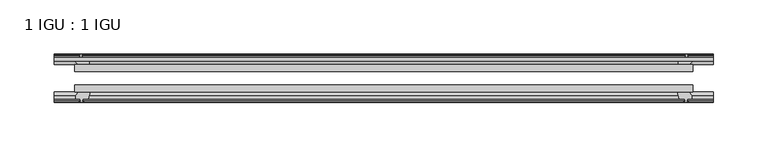
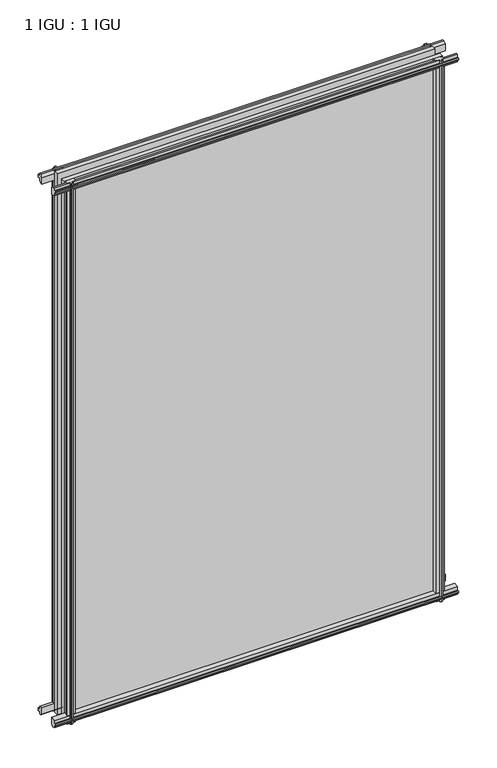
"""IFC4 building model written with IfcOpenShell, lengths in millimetres: plate geometry, 1 IGU : 1 IGU."""

from ifc_helpers import new_model, si_unit, frame, origin, place, context, project, spatial, polyline, outline, extrude, source, transform, mapped, element, save


def plate_1_igu_1_igu_0da3372f(model_context):
    return source(origin(), model_context, "Body", "SweptSolid", [
        extrude(outline(polyline([(-285.7500002, -38.6468937), (285.7500002, -38.6468937), (285.7500002, -44.9460938), (-285.7500002, -44.9460938), (-285.7500002, -38.6468937)])), frame((0.0, 0.0, -12.7), z_axis=(0.0, 0.0, 1.0), x_axis=(1.0, 0.0, 0.0)), (0.0, 0.0, 1.0), 863.6126996),
        extrude(outline(polyline([(-285.7500002, -19.5460937), (285.7500002, -19.5460937), (285.7500002, -25.8960938), (-285.7500002, -25.8960938), (-285.7500002, -19.5460937)])), frame((0.0, 0.0, -12.7), z_axis=(0.0, 0.0, 1.0), x_axis=(1.0, 0.0, 0.0)), (0.0, 0.0, 1.0), 863.6126996),
        extrude(outline(polyline([(-44.9460937, 1.7177181), (-44.9460937, -9.1036578), (-48.3496937, -11.938), (-51.2960937, -11.938), (-51.2960937, -7.493), (-53.6762907, -7.112), (-53.2163575, -8.5275291), (-54.0175717, -8.5275291), (-54.7250937, -6.35), (-54.0175717, -4.1724709), (-53.2163575, -4.1724709), (-53.6762907, -5.588), (-51.2960937, -5.207), (-51.2960937, 0.0), (-44.9460937, 1.7177181)])), frame((-304.8000002, 0.0, 0.0), z_axis=(1.0, 0.0, 0.0), x_axis=(0.0, 1.0, 0.0)), (0.0, 0.0, 1.0), 609.6000003),
        extrude(outline(polyline([(-13.1960937, -12.4587), (-16.1424937, -12.4587), (-19.5460937, -9.6243578), (-19.5460937, 1.1970181), (-13.1960937, -0.5207), (-13.1960937, -5.7277), (-10.8158968, -6.1087), (-11.27583, -4.6931709), (-10.4746158, -4.6931709), (-9.7670937, -6.8707), (-10.4746158, -9.0482291), (-11.27583, -9.0482291), (-10.8158968, -7.6327), (-13.1960937, -8.0137), (-13.1960937, -12.4587)])), frame((-304.8000002, 0.0, 0.0), z_axis=(1.0, 0.0, 0.0), x_axis=(0.0, 1.0, 0.0)), (0.0, 0.0, 1.0), 609.6000003),
        extrude(outline(polyline([(-51.2960937, 850.1506996), (-48.3496937, 850.1506996), (-44.9460937, 847.3163575), (-44.9460937, 836.4949816), (-51.2960937, 838.2126996), (-51.2960937, 843.4196996), (-53.6762907, 843.8006996), (-53.2163575, 842.3851706), (-54.0175717, 842.3851706), (-54.7250937, 844.5626996), (-54.0175717, 846.7402287), (-53.2163575, 846.7402287), (-53.6762907, 845.3246996), (-51.2960937, 845.7056996), (-51.2960937, 850.1506996)])), frame((-304.8000002, 0.0, 0.0), z_axis=(1.0, 0.0, 0.0), x_axis=(0.0, 1.0, 0.0)), (0.0, 0.0, 1.0), 609.6000003),
        extrude(outline(polyline([(-19.5460937, 837.0156816), (-19.5460937, 847.8370575), (-16.1424937, 850.6713996), (-13.1960937, 850.6713996), (-13.1960937, 846.2263996), (-10.8158968, 845.8453996), (-11.27583, 847.2609287), (-10.4746158, 847.2609287), (-9.7670937, 845.0833996), (-10.4746158, 842.9058706), (-11.27583, 842.9058706), (-10.8158968, 844.3213996), (-13.1960937, 843.9403996), (-13.1960937, 838.7333996), (-19.5460937, 837.0156816)])), frame((-304.8000002, 0.0, 0.0), z_axis=(1.0, 0.0, 0.0), x_axis=(0.0, 1.0, 0.0)), (0.0, 0.0, 1.0), 609.6000003),
        extrude(outline(polyline([(271.8529821, -19.5460938), (273.5707002, -13.1960938), (278.7777002, -13.1960938), (279.1587002, -10.8158968), (277.7431711, -11.27583), (277.7431711, -10.4746158), (279.9207002, -9.7670938), (282.0982292, -10.4746158), (282.0982292, -11.27583), (280.6827002, -10.8158968), (281.0637002, -13.1960938), (285.5087002, -13.1960938), (285.5087002, -16.1424938), (282.674358, -19.5460938), (271.8529821, -19.5460938)])), frame((0.0, 0.0, -12.7), z_axis=(0.0, 0.0, 1.0), x_axis=(1.0, 0.0, 0.0)), (0.0, 0.0, 1.0), 863.6126998),
        extrude(outline(polyline([(271.3322821, -44.9460938), (282.153658, -44.9460938), (284.9880002, -48.3496938), (284.9880002, -51.2960938), (280.5430002, -51.2960938), (280.1620002, -53.6762907), (281.5775292, -53.2163575), (281.5775292, -54.0175717), (279.4000002, -54.7250938), (277.2224711, -54.0175717), (277.2224711, -53.2163575), (278.6380002, -53.6762907), (278.2570002, -51.2960938), (273.0500002, -51.2960938), (271.3322821, -44.9460938)])), frame((0.0, 0.0, -12.7), z_axis=(0.0, 0.0, 1.0), x_axis=(1.0, 0.0, 0.0)), (0.0, 0.0, 1.0), 863.6126998),
        extrude(outline(polyline([(-279.9207002, -9.7670937), (-277.7431711, -10.4746158), (-277.7431711, -11.27583), (-279.1587002, -10.8158968), (-278.7777002, -13.1960937), (-273.5707002, -13.1960937), (-271.8529821, -19.5460937), (-282.674358, -19.5460937), (-285.5087002, -16.1424937), (-285.5087002, -13.1960937), (-281.0637002, -13.1960937), (-280.6827002, -10.8158968), (-282.0982292, -11.27583), (-282.0982292, -10.4746158), (-279.9207002, -9.7670937)])), frame((0.0, 0.0, -12.7), z_axis=(0.0, 0.0, 1.0), x_axis=(1.0, 0.0, 0.0)), (0.0, 0.0, 1.0), 863.6126998),
        extrude(outline(polyline([(-284.9880002, -48.3496937), (-282.153658, -44.9460937), (-271.3322821, -44.9460937), (-273.0500002, -51.2960937), (-278.2570002, -51.2960937), (-278.6380002, -53.6762907), (-277.2224711, -53.2163575), (-277.2224711, -54.0175717), (-279.4000002, -54.7250937), (-281.5775292, -54.0175717), (-281.5775292, -53.2163575), (-280.1620002, -53.6762907), (-280.5430002, -51.2960937), (-284.9880002, -51.2960937), (-284.9880002, -48.3496937)])), frame((0.0, 0.0, -12.7), z_axis=(0.0, 0.0, 1.0), x_axis=(1.0, 0.0, 0.0)), (0.0, 0.0, 1.0), 863.6126998),
    ])


if __name__ == "__main__":
    model = new_model("IFC4")
    model_context = context("Model", 3, world=origin())
    ifc_project = project(units=[si_unit("LENGTHUNIT", "METRE", prefix="MILLI")], contexts=[model_context])
    site = spatial("IfcSite", under=ifc_project)
    building = spatial("IfcBuilding", under=site)
    placement = place(None, origin())
    plate_1_igu_1_igu_shape = plate_1_igu_1_igu_0da3372f(model_context)
    element("IfcPlate", 1, ObjectType="1 IGU : 1 IGU", at=placement, inside=building, context=model_context, shape_type="MappedRepresentation", body=[
        mapped(plate_1_igu_1_igu_shape, transform((0.0, 0.0, 0.0), x_axis=(1.0, 0.0, 0.0), y_axis=(0.0, 1.0, 0.0), z_axis=(0.0, 0.0, 1.0))),
    ])
    save(model, "model.ifc")
